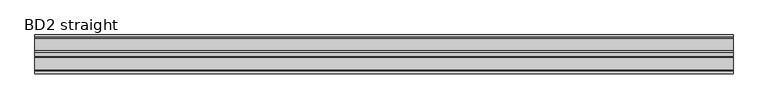
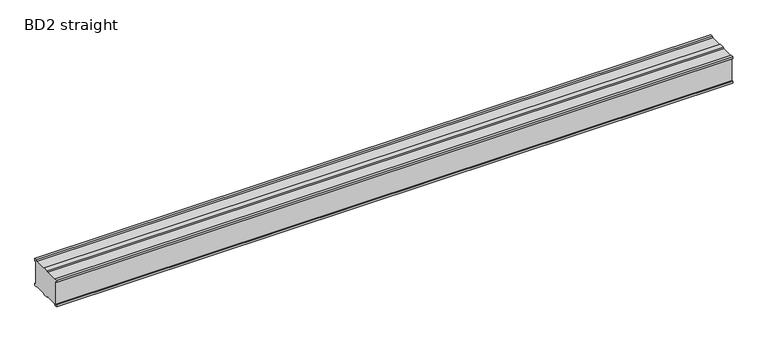
"""IFC4 building model written with IfcOpenShell, lengths in millimetres: proxy geometry, BD2 straight."""

from ifc_helpers import new_model, si_unit, frame, origin, place, context, project, spatial, polyline, outline, extrude, source, transform, mapped, element, save


def bd2_straight_6d59f395(model_context):
    return source(origin(), model_context, "Body", "SweptSolid", [
        extrude(outline(polyline([(162.0, 116.0), (162.0, 10.0), (167.0, 10.0), (167.0, 0.0), (157.0, 0.0), (152.0, 5.0), (98.5, 5.0), (93.5, 0.0), (73.5, 0.0), (68.5, 5.0), (15.0, 5.0), (10.0, 0.0), (0.0, 0.0), (0.0, 10.0), (5.0, 10.0), (5.0, 116.0), (0.0, 116.0), (0.0, 126.0), (10.0, 126.0), (15.0, 121.0), (68.5, 121.0), (73.5, 126.0), (93.5, 126.0), (98.5, 121.0), (152.0, 121.0), (157.0, 126.0), (167.0, 126.0), (167.0, 116.0), (162.0, 116.0)])), frame((0.0, 0.0, 0.0), z_axis=(1.0, 0.0, 0.0), x_axis=(0.0, 1.0, 0.0)), (0.0, 0.0, 1.0), 3000.0),
    ])


if __name__ == "__main__":
    model = new_model("IFC4")
    model_context = context("Model", 3, world=origin())
    ifc_project = project(units=[si_unit("LENGTHUNIT", "METRE", prefix="MILLI")], contexts=[model_context])
    site = spatial("IfcSite", under=ifc_project)
    building = spatial("IfcBuilding", under=site)
    placement = place(None, origin())
    bd2_straight_shape = bd2_straight_6d59f395(model_context)
    element("IfcBuildingElementProxy", 1, Name="BD2 straight", ObjectType="BD2 straight", at=placement, inside=building, context=model_context, shape_type="MappedRepresentation", body=[
        mapped(bd2_straight_shape, transform((0.0, 0.0, 0.0), x_axis=(1.0, 0.0, 0.0), y_axis=(0.0, 1.0, 0.0), z_axis=(0.0, 0.0, 1.0))),
    ])
    save(model, "model.ifc")
